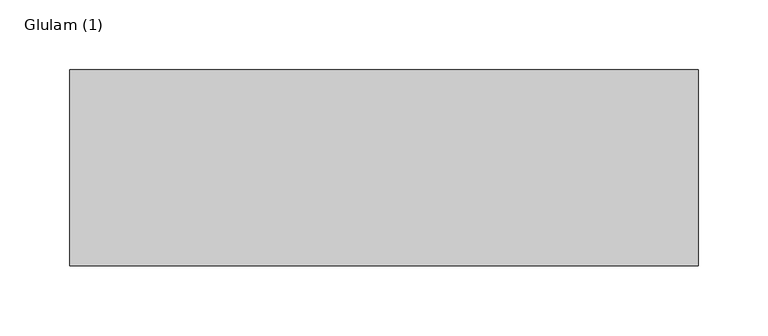
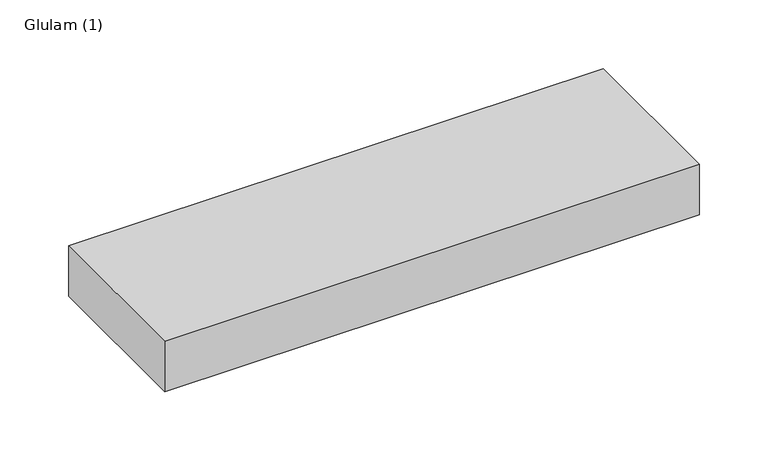
"""IFC4 building model written with IfcOpenShell, lengths in millimetres: beam geometry, Glulam (1)."""

from ifc_helpers import new_model, si_unit, frame, origin, place, context, project, spatial, polyline, outline, extrude, source, transform, mapped, element, save


def glulam_1_66afeaa8(model_context):
    return source(origin(), model_context, "Body", "SweptSolid", [
        extrude(outline(polyline([(212.5, 70.0), (212.5, -70.0), (-236.5, -70.0), (-236.5, 70.0), (212.5, 70.0)])), frame((0.0, 0.0, -22.5), z_axis=(0.0, 0.0, 1.0), x_axis=(1.0, 0.0, 0.0)), (0.0, 0.0, 1.0), 45.0),
    ])


if __name__ == "__main__":
    model = new_model("IFC4")
    model_context = context("Model", 3, world=origin())
    ifc_project = project(units=[si_unit("LENGTHUNIT", "METRE", prefix="MILLI")], contexts=[model_context])
    site = spatial("IfcSite", under=ifc_project)
    building = spatial("IfcBuilding", under=site)
    placement = place(None, origin())
    glulam_1_shape = glulam_1_66afeaa8(model_context)
    element("IfcBeam", 1, ObjectType="Glulam (1)", at=placement, inside=building, context=model_context, shape_type="MappedRepresentation", body=[
        mapped(glulam_1_shape, transform((0.0, 0.0, 0.0), x_axis=(1.0, 0.0, 0.0), y_axis=(0.0, 1.0, 0.0), z_axis=(0.0, 0.0, 1.0))),
    ])
    save(model, "model.ifc")
